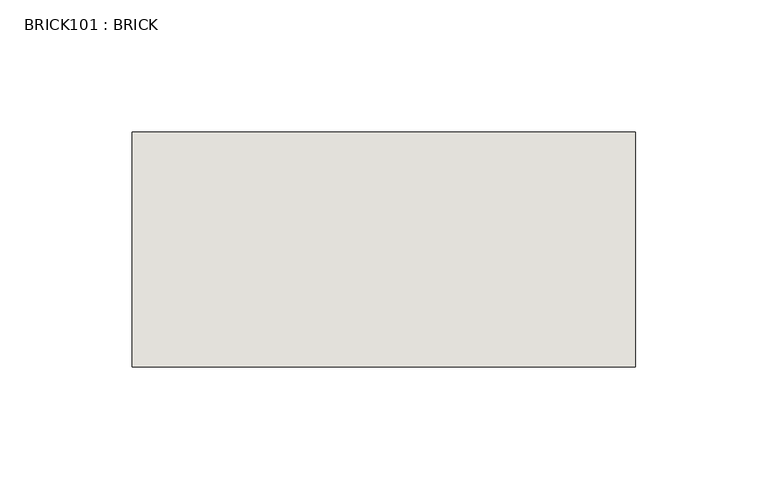
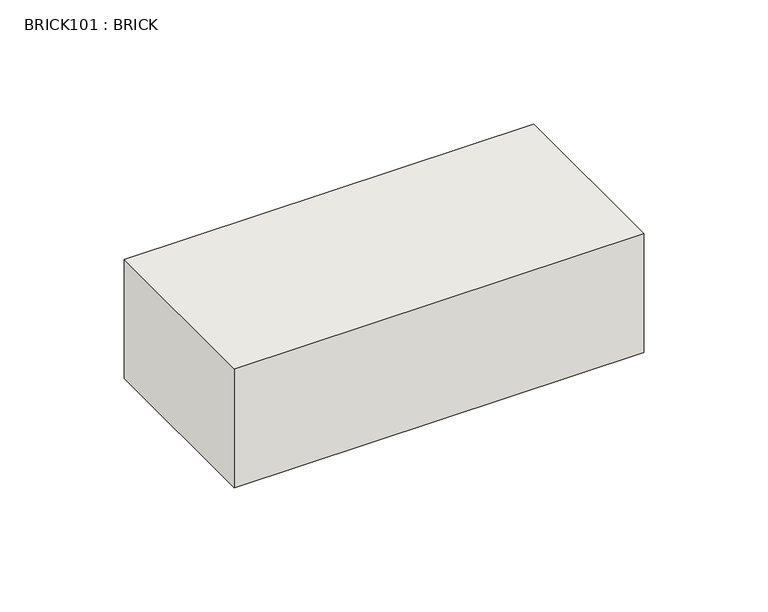
"""IFC4 building model written with IfcOpenShell, lengths in millimetres: wall geometry, BRICK101 : BRICK."""

from ifc_helpers import new_model, si_unit, frame, origin, place, context, project, spatial, polyline, outline, extrude, source, transform, mapped, element, save


def brick101_brick_4f2261ee(model_context):
    return source(origin(), model_context, "Body", "SweptSolid", [
        extrude(outline(polyline([(1038.0530711, 2586.2274125), (1228.5530711, 2586.2274125), (1228.5530711, 2497.3274125), (1038.0530711, 2497.3274125), (1038.0530711, 2586.2274125)])), frame((0.0, 0.0, 214.0148438), z_axis=(0.0, 0.0, 1.0), x_axis=(1.0, 0.0, 0.0)), (0.0, 0.0, 1.0), 58.4398437),
    ])


if __name__ == "__main__":
    model = new_model("IFC4")
    model_context = context("Model", 3, world=origin())
    ifc_project = project(units=[si_unit("LENGTHUNIT", "METRE", prefix="MILLI")], contexts=[model_context])
    site = spatial("IfcSite", under=ifc_project)
    building = spatial("IfcBuilding", under=site)
    placement = place(None, origin())
    brick101_brick_shape = brick101_brick_4f2261ee(model_context)
    element("IfcWall", 1, ObjectType="BRICK101 : BRICK", at=placement, inside=building, context=model_context, shape_type="MappedRepresentation", body=[
        mapped(brick101_brick_shape, transform((0.0, 0.0, 0.0), x_axis=(1.0, 0.0, 0.0), y_axis=(0.0, 1.0, 0.0), z_axis=(0.0, 0.0, 1.0))),
    ])
    save(model, "model.ifc")
